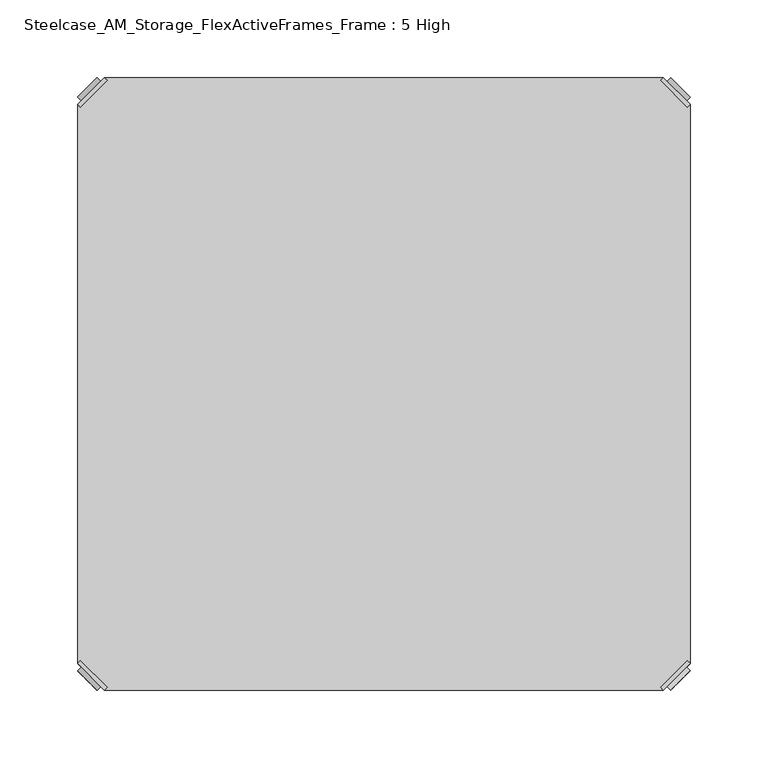
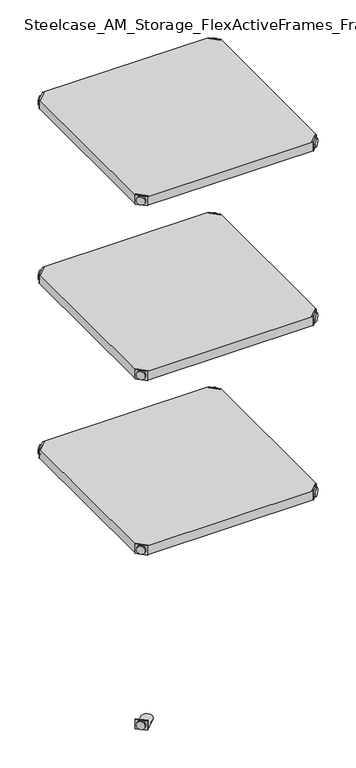
"""IFC4 building model written with IfcOpenShell, lengths in millimetres: furniture geometry, Steelcase_AM_Storage_FlexActiveFrames_Frame : 5 High."""

from ifc_helpers import new_model, si_unit, frame, origin, place, context, project, spatial, polyline, circle_curve, outline, extrude, source, transform, mapped, element, save
from ifc_brep_helpers import plane_surface, cylinder_surface, advanced_brep


def steelcase_am_storage_flexactiveframes_frame_5_high_588fb9f3(model_context):
    return source(origin(), model_context, "Body", "SolidModel", [
        advanced_brep(
        [(2.54, -380.2870969, 1725.93), (19.7629031, -397.51, 1725.93), (21.5589544, -395.7139488, 1725.93), (4.3360512, -378.4910456, 1725.93), (2.54, -380.2870969, 1704.594), (19.7629031, -397.51, 1704.594), (4.8652723, -382.6123691, 1715.77), (17.4376309, -395.1847277, 1715.77), (30.2920522, -352.5350447, 1705.61), (4.3360512, -378.4910456, 1705.61), (21.5589544, -395.7139488, 1705.61), (47.5149553, -369.7579478, 1705.61), (30.2920522, -352.5350447, 1704.594), (47.5149553, -369.7579478, 1704.594), (15.1227513, -397.4996073, 1715.77), (2.5503927, -384.9272487, 1715.77)],
        [
            (0, 1),
            (1, 2),
            (2, 3),
            (3, 0),
            (0, 4),
            (4, 5),
            (5, 1),
            (6, 7, circle_curve(frame((11.1514516, -388.8985484, 1715.77), z_axis=(0.7071067811865446, 0.7071067811865505, 0.0), x_axis=(-0.7071067811865505, 0.7071067811865446, 0.0)), 8.89)),
            (7, 6, circle_curve(frame((11.1514516, -388.8985484, 1715.77), z_axis=(0.7071067811865446, 0.7071067811865505, 0.0), x_axis=(-0.7071067811865505, 0.7071067811865446, 0.0)), 8.89)),
            (8, 9),
            (9, 10),
            (10, 11),
            (11, 8, circle_curve(frame((38.9035037, -361.1464963, 1705.61), z_axis=(0.0, 0.0, 1.0), x_axis=(1.0, 0.0, 0.0)), 12.1784316)),
            (12, 13, circle_curve(frame((38.9035037, -361.1464963, 1704.594), z_axis=(0.0, 0.0, -1.0), x_axis=(1.0, 0.0, 0.0)), 12.1784316)),
            (13, 5),
            (4, 12),
            (14, 15, circle_curve(frame((8.836572, -391.213428, 1715.77), z_axis=(-0.7071067811865446, -0.7071067811865505, 0.0), x_axis=(-0.7071067811865505, 0.7071067811865446, 0.0)), 8.89)),
            (15, 14, circle_curve(frame((8.836572, -391.213428, 1715.77), z_axis=(-0.7071067811865446, -0.7071067811865505, 0.0), x_axis=(-0.7071067811865505, 0.7071067811865446, 0.0)), 8.89)),
            (15, 6),
            (7, 14),
            (2, 10),
            (9, 3),
            (11, 13),
            (12, 8),
        ],
        [
            plane_surface(frame((-19.6579872, -402.485084, 1725.93), z_axis=(0.0, 0.0, 1.0000000000000002), x_axis=(0.7071067811865436, 0.7071067811865516, 0.0))),
            plane_surface(frame((19.7629031, -397.51, 1725.93), z_axis=(-0.7071067811865447, -0.7071067811865503, 0.0), x_axis=(0.0, 0.0, -1.0))),
            plane_surface(frame((51.0819353, -361.1464963, 1705.61), z_axis=(0.0, 0.0, 1.0), x_axis=(0.0, -1.0, 0.0))),
            plane_surface(frame((51.0819353, -361.1464963, 1704.594), z_axis=(0.0, 0.0, -1.0), x_axis=(0.0, 1.0, 0.0))),
            plane_surface(frame((2.5503927, -384.9272487, 1715.77), z_axis=(-0.7071067811865446, -0.7071067811865505, 0.0), x_axis=(0.0, 0.0, 1.0))),
            cylinder_surface(frame((11.1514516, -388.8985484, 1715.77), z_axis=(-0.7071067811865446, -0.7071067811865505, 0.0), x_axis=(-0.7071067811865505, 0.7071067811865446, 0.0)), 8.89),
            plane_surface(frame((4.3360512, -378.4910456, 1725.93), z_axis=(0.7071067811865447, 0.7071067811865503, 0.0), x_axis=(0.0, 0.0, -1.0))),
            cylinder_surface(frame((38.9035037, -361.1464963, 1704.594), z_axis=(0.0, 0.0, 1.0), x_axis=(1.0, 0.0, 0.0)), 12.1784316),
            plane_surface(frame((2.54, -380.2870969, 1725.93), z_axis=(-0.7071067811865516, 0.7071067811865436, 0.0), x_axis=(0.0, 0.0, -1.0))),
            plane_surface(frame((21.5589544, -395.7139488, 1725.93), z_axis=(0.7071067811865513, -0.7071067811865437, 0.0), x_axis=(0.0, 0.0, -1.0))),
        ],
        [
            (0, [[1, 2, 3, 4]]),
            (1, [[5, 6, 7, -1], [8, 9]]),
            (2, [[10, 11, 12, 13]]),
            (3, [[14, 15, -6, 16]]),
            (4, [[17, 18]]),
            (5, [[19, -9, 20, -18]]),
            (5, [[-20, -8, -19, -17]]),
            (6, [[21, -11, 22, -3]]),
            (7, [[23, -14, 24, -13]]),
            (8, [[-22, -10, -24, -16, -5, -4]]),
            (9, [[-7, -15, -23, -12, -21, -2]]),
        ],
    ),
        advanced_brep(
        [(397.51, -380.2870969, 1725.93), (395.7139488, -378.4910456, 1725.93), (378.4910456, -395.7139488, 1725.93), (380.2870969, -397.51, 1725.93), (380.2870969, -397.51, 1704.594), (397.51, -380.2870969, 1704.594), (395.1847277, -382.6123691, 1715.77), (382.6123691, -395.1847277, 1715.77), (369.7579478, -352.5350447, 1705.61), (352.5350447, -369.7579478, 1705.61), (378.4910456, -395.7139488, 1705.61), (395.7139488, -378.4910456, 1705.61), (369.7579478, -352.5350447, 1704.594), (352.5350447, -369.7579478, 1704.594), (384.9272487, -397.4996073, 1715.77), (397.4996073, -384.9272487, 1715.77)],
        [
            (0, 1),
            (1, 2),
            (2, 3),
            (3, 0),
            (3, 4),
            (4, 5),
            (5, 0),
            (6, 7, circle_curve(frame((388.8985484, -388.8985484, 1715.77), z_axis=(-0.7071067811865446, 0.7071067811865505, 0.0), x_axis=(0.7071067811865505, 0.7071067811865446, 0.0)), 8.89)),
            (7, 6, circle_curve(frame((388.8985484, -388.8985484, 1715.77), z_axis=(-0.7071067811865446, 0.7071067811865505, 0.0), x_axis=(0.7071067811865505, 0.7071067811865446, 0.0)), 8.89)),
            (8, 9, circle_curve(frame((361.1464963, -361.1464963, 1705.61), z_axis=(0.0, 0.0, 1.0), x_axis=(-1.0, 0.0, 0.0)), 12.1784316)),
            (9, 10),
            (10, 11),
            (11, 8),
            (12, 5),
            (4, 13),
            (13, 12, circle_curve(frame((361.1464963, -361.1464963, 1704.594), z_axis=(0.0, 0.0, -1.0), x_axis=(-1.0, 0.0, 0.0)), 12.1784316)),
            (14, 15, circle_curve(frame((391.213428, -391.213428, 1715.77), z_axis=(0.7071067811865446, -0.7071067811865505, 0.0), x_axis=(0.7071067811865505, 0.7071067811865446, 0.0)), 8.89)),
            (15, 14, circle_curve(frame((391.213428, -391.213428, 1715.77), z_axis=(0.7071067811865446, -0.7071067811865505, 0.0), x_axis=(0.7071067811865505, 0.7071067811865446, 0.0)), 8.89)),
            (14, 7),
            (6, 15),
            (1, 11),
            (10, 2),
            (8, 12),
            (13, 9),
        ],
        [
            plane_surface(frame((419.7079872, -402.485084, 1725.93), z_axis=(0.0, 0.0, 1.0000000000000002), x_axis=(-0.7071067811865436, 0.7071067811865516, 0.0))),
            plane_surface(frame((380.2870969, -397.51, 1725.93), z_axis=(0.7071067811865447, -0.7071067811865503, 0.0), x_axis=(0.0, 0.0, -1.0))),
            plane_surface(frame((348.9680647, -361.1464963, 1705.61), z_axis=(0.0, 0.0, 1.0), x_axis=(0.0, -1.0, 0.0))),
            plane_surface(frame((348.9680647, -361.1464963, 1704.594), z_axis=(0.0, 0.0, -1.0), x_axis=(0.0, 1.0, 0.0))),
            plane_surface(frame((397.4996073, -384.9272487, 1715.77), z_axis=(0.7071067811865446, -0.7071067811865505, 0.0), x_axis=(0.0, 0.0, 1.0))),
            cylinder_surface(frame((388.8985484, -388.8985484, 1715.77), z_axis=(0.7071067811865446, -0.7071067811865505, 0.0), x_axis=(0.7071067811865505, 0.7071067811865446, 0.0)), 8.89),
            plane_surface(frame((395.7139488, -378.4910456, 1725.93), z_axis=(-0.7071067811865447, 0.7071067811865503, 0.0), x_axis=(0.0, 0.0, -1.0))),
            cylinder_surface(frame((361.1464963, -361.1464963, 1704.594), z_axis=(0.0, 0.0, 1.0), x_axis=(-1.0, 0.0, 0.0)), 12.1784316),
            plane_surface(frame((397.51, -380.2870969, 1725.93), z_axis=(0.7071067811865516, 0.7071067811865436, 0.0), x_axis=(0.0, 0.0, -1.0))),
            plane_surface(frame((378.4910456, -395.7139488, 1725.93), z_axis=(-0.7071067811865513, -0.7071067811865437, 0.0), x_axis=(0.0, 0.0, -1.0))),
        ],
        [
            (0, [[1, 2, 3, 4]]),
            (1, [[-4, 5, 6, 7], [8, 9]]),
            (2, [[10, 11, 12, 13]]),
            (3, [[14, -6, 15, 16]]),
            (4, [[17, 18]]),
            (5, [[-17, 19, -8, 20]]),
            (5, [[-18, -20, -9, -19]]),
            (6, [[-2, 21, -12, 22]]),
            (7, [[-10, 23, -16, 24]]),
            (8, [[-1, -7, -14, -23, -13, -21]]),
            (9, [[-3, -22, -11, -24, -15, -5]]),
        ],
    ),
        advanced_brep(
        [(397.51, -19.7629031, 1725.93), (380.2870969, -2.54, 1725.93), (378.4910456, -4.3360512, 1725.93), (395.7139488, -21.5589544, 1725.93), (397.51, -19.7629031, 1704.594), (380.2870969, -2.54, 1704.594), (395.1847277, -17.4376309, 1715.77), (382.6123691, -4.8652723, 1715.77), (369.7579478, -47.5149553, 1705.61), (395.7139488, -21.5589544, 1705.61), (378.4910456, -4.3360512, 1705.61), (352.5350447, -30.2920522, 1705.61), (369.7579478, -47.5149553, 1704.594), (352.5350447, -30.2920522, 1704.594), (384.9272487, -2.5503927, 1715.77), (397.4996073, -15.1227513, 1715.77)],
        [
            (0, 1),
            (1, 2),
            (2, 3),
            (3, 0),
            (0, 4),
            (4, 5),
            (5, 1),
            (6, 7, circle_curve(frame((388.8985484, -11.1514516, 1715.77), z_axis=(-0.7071067811865469, -0.7071067811865481, 0.0), x_axis=(0.7071067811865481, -0.7071067811865469, 0.0)), 8.89)),
            (7, 6, circle_curve(frame((388.8985484, -11.1514516, 1715.77), z_axis=(-0.7071067811865469, -0.7071067811865481, 0.0), x_axis=(0.7071067811865481, -0.7071067811865469, 0.0)), 8.89)),
            (8, 9),
            (9, 10),
            (10, 11),
            (11, 8, circle_curve(frame((361.1464963, -38.9035037, 1705.61), z_axis=(0.0, 0.0, 1.0), x_axis=(-1.0, 0.0, 0.0)), 12.1784316)),
            (12, 13, circle_curve(frame((361.1464963, -38.9035037, 1704.594), z_axis=(0.0, 0.0, -1.0), x_axis=(-1.0, 0.0, 0.0)), 12.1784316)),
            (13, 5),
            (4, 12),
            (14, 15, circle_curve(frame((391.213428, -8.836572, 1715.77), z_axis=(0.7071067811865469, 0.7071067811865481, 0.0), x_axis=(0.7071067811865481, -0.7071067811865469, 0.0)), 8.89)),
            (15, 14, circle_curve(frame((391.213428, -8.836572, 1715.77), z_axis=(0.7071067811865469, 0.7071067811865481, 0.0), x_axis=(0.7071067811865481, -0.7071067811865469, 0.0)), 8.89)),
            (15, 6),
            (7, 14),
            (2, 10),
            (9, 3),
            (11, 13),
            (12, 8),
        ],
        [
            plane_surface(frame((419.7079872, 2.435084, 1725.93), z_axis=(0.0, 0.0, 1.0000000000000002), x_axis=(-0.7071067811865459, -0.7071067811865492, 0.0))),
            plane_surface(frame((380.2870969, -2.54, 1725.93), z_axis=(0.707106781186547, 0.707106781186548, 0.0), x_axis=(0.0, 0.0, -1.0))),
            plane_surface(frame((348.9680647, -38.9035037, 1705.61), z_axis=(0.0, 0.0, 1.0), x_axis=(0.0, 1.0, 0.0))),
            plane_surface(frame((348.9680647, -38.9035037, 1704.594), z_axis=(0.0, 0.0, -1.0), x_axis=(0.0, -1.0, 0.0))),
            plane_surface(frame((397.4996073, -15.1227513, 1715.77), z_axis=(0.7071067811865469, 0.7071067811865481, 0.0), x_axis=(0.0, 0.0, 1.0))),
            cylinder_surface(frame((388.8985484, -11.1514516, 1715.77), z_axis=(0.7071067811865469, 0.7071067811865481, 0.0), x_axis=(0.7071067811865481, -0.7071067811865469, 0.0)), 8.89),
            plane_surface(frame((395.7139488, -21.5589544, 1725.93), z_axis=(-0.707106781186547, -0.707106781186548, 0.0), x_axis=(0.0, 0.0, -1.0))),
            cylinder_surface(frame((361.1464963, -38.9035037, 1704.594), z_axis=(0.0, 0.0, 1.0), x_axis=(-1.0, 0.0, 0.0)), 12.1784316),
            plane_surface(frame((397.51, -19.7629031, 1725.93), z_axis=(0.7071067811865492, -0.7071067811865459, 0.0), x_axis=(0.0, 0.0, -1.0))),
            plane_surface(frame((378.4910456, -4.3360512, 1725.93), z_axis=(-0.707106781186549, 0.707106781186546, 0.0), x_axis=(0.0, 0.0, -1.0))),
        ],
        [
            (0, [[1, 2, 3, 4]]),
            (1, [[5, 6, 7, -1], [8, 9]]),
            (2, [[10, 11, 12, 13]]),
            (3, [[14, 15, -6, 16]]),
            (4, [[17, 18]]),
            (5, [[19, -9, 20, -18]]),
            (5, [[-20, -8, -19, -17]]),
            (6, [[21, -11, 22, -3]]),
            (7, [[23, -14, 24, -13]]),
            (8, [[-22, -10, -24, -16, -5, -4]]),
            (9, [[-7, -15, -23, -12, -21, -2]]),
        ],
    ),
        advanced_brep(
        [(2.54, -19.7629031, 1725.93), (4.3360512, -21.5589544, 1725.93), (21.5589544, -4.3360512, 1725.93), (19.7629031, -2.54, 1725.93), (19.7629031, -2.54, 1704.594), (2.54, -19.7629031, 1704.594), (4.8652723, -17.4376309, 1715.77), (17.4376309, -4.8652723, 1715.77), (30.2920522, -47.5149553, 1705.61), (47.5149553, -30.2920522, 1705.61), (21.5589544, -4.3360512, 1705.61), (4.3360512, -21.5589544, 1705.61), (30.2920522, -47.5149553, 1704.594), (47.5149553, -30.2920522, 1704.594), (15.1227513, -2.5503927, 1715.77), (2.5503927, -15.1227513, 1715.77)],
        [
            (0, 1),
            (1, 2),
            (2, 3),
            (3, 0),
            (3, 4),
            (4, 5),
            (5, 0),
            (6, 7, circle_curve(frame((11.1514516, -11.1514516, 1715.77), z_axis=(0.7071067811865469, -0.7071067811865481, 0.0), x_axis=(-0.7071067811865481, -0.7071067811865469, 0.0)), 8.89)),
            (7, 6, circle_curve(frame((11.1514516, -11.1514516, 1715.77), z_axis=(0.7071067811865469, -0.7071067811865481, 0.0), x_axis=(-0.7071067811865481, -0.7071067811865469, 0.0)), 8.89)),
            (8, 9, circle_curve(frame((38.9035037, -38.9035037, 1705.61), z_axis=(0.0, 0.0, 1.0), x_axis=(1.0, 0.0, 0.0)), 12.1784316)),
            (9, 10),
            (10, 11),
            (11, 8),
            (12, 5),
            (4, 13),
            (13, 12, circle_curve(frame((38.9035037, -38.9035037, 1704.594), z_axis=(0.0, 0.0, -1.0), x_axis=(1.0, 0.0, 0.0)), 12.1784316)),
            (14, 15, circle_curve(frame((8.836572, -8.836572, 1715.77), z_axis=(-0.7071067811865469, 0.7071067811865481, 0.0), x_axis=(-0.7071067811865481, -0.7071067811865469, 0.0)), 8.89)),
            (15, 14, circle_curve(frame((8.836572, -8.836572, 1715.77), z_axis=(-0.7071067811865469, 0.7071067811865481, 0.0), x_axis=(-0.7071067811865481, -0.7071067811865469, 0.0)), 8.89)),
            (14, 7),
            (6, 15),
            (1, 11),
            (10, 2),
            (8, 12),
            (13, 9),
        ],
        [
            plane_surface(frame((-19.6579872, 2.435084, 1725.93), z_axis=(0.0, 0.0, 1.0000000000000002), x_axis=(0.7071067811865459, -0.7071067811865492, 0.0))),
            plane_surface(frame((19.7629031, -2.54, 1725.93), z_axis=(-0.707106781186547, 0.707106781186548, 0.0), x_axis=(0.0, 0.0, -1.0))),
            plane_surface(frame((51.0819353, -38.9035037, 1705.61), z_axis=(0.0, 0.0, 1.0), x_axis=(0.0, 1.0, 0.0))),
            plane_surface(frame((51.0819353, -38.9035037, 1704.594), z_axis=(0.0, 0.0, -1.0), x_axis=(0.0, -1.0, 0.0))),
            plane_surface(frame((2.5503927, -15.1227513, 1715.77), z_axis=(-0.7071067811865469, 0.7071067811865481, 0.0), x_axis=(0.0, 0.0, 1.0))),
            cylinder_surface(frame((11.1514516, -11.1514516, 1715.77), z_axis=(-0.7071067811865469, 0.7071067811865481, 0.0), x_axis=(-0.7071067811865481, -0.7071067811865469, 0.0)), 8.89),
            plane_surface(frame((4.3360512, -21.5589544, 1725.93), z_axis=(0.707106781186547, -0.707106781186548, 0.0), x_axis=(0.0, 0.0, -1.0))),
            cylinder_surface(frame((38.9035037, -38.9035037, 1704.594), z_axis=(0.0, 0.0, 1.0), x_axis=(1.0, 0.0, 0.0)), 12.1784316),
            plane_surface(frame((2.54, -19.7629031, 1725.93), z_axis=(-0.7071067811865492, -0.7071067811865459, 0.0), x_axis=(0.0, 0.0, -1.0))),
            plane_surface(frame((21.5589544, -4.3360512, 1725.93), z_axis=(0.707106781186549, 0.707106781186546, 0.0), x_axis=(0.0, 0.0, -1.0))),
        ],
        [
            (0, [[1, 2, 3, 4]]),
            (1, [[-4, 5, 6, 7], [8, 9]]),
            (2, [[10, 11, 12, 13]]),
            (3, [[14, -6, 15, 16]]),
            (4, [[17, 18]]),
            (5, [[-17, 19, -8, 20]]),
            (5, [[-18, -20, -9, -19]]),
            (6, [[-2, 21, -12, 22]]),
            (7, [[-10, 23, -16, 24]]),
            (8, [[-1, -7, -14, -23, -13, -21]]),
            (9, [[-3, -22, -11, -24, -15, -5]]),
        ],
    ),
        extrude(outline(polyline([(19.7629031, -2.54), (380.2870969, -2.54), (378.4910456, -4.3360512), (395.7139488, -21.5589544), (397.51, -19.7629031), (397.51, -380.2870969), (395.7139488, -378.4910456), (378.4910456, -395.7139488), (380.2870969, -397.51), (19.7629031, -397.51), (21.5589544, -395.7139488), (4.3360512, -378.4910456), (2.54, -380.2870969), (2.54, -19.7629031), (4.3360512, -21.5589544), (21.5589544, -4.3360512), (19.7629031, -2.54)])), frame((0.0, 0.0, 1705.61), z_axis=(0.0, 0.0, 1.0), x_axis=(1.0, 0.0, 0.0)), (0.0, 0.0, 1.0), 20.32),
        advanced_brep(
        [(2.54, -380.2870969, 1324.61), (19.7629031, -397.51, 1324.61), (21.5589544, -395.7139488, 1324.61), (4.3360512, -378.4910456, 1324.61), (2.54, -380.2870969, 1303.274), (19.7629031, -397.51, 1303.274), (4.8652723, -382.6123691, 1314.45), (17.4376309, -395.1847277, 1314.45), (30.2920522, -352.5350447, 1304.29), (4.3360512, -378.4910456, 1304.29), (21.5589544, -395.7139488, 1304.29), (47.5149553, -369.7579478, 1304.29), (30.2920522, -352.5350447, 1303.274), (47.5149553, -369.7579478, 1303.274), (15.1227513, -397.4996073, 1314.45), (2.5503927, -384.9272487, 1314.45)],
        [
            (0, 1),
            (1, 2),
            (2, 3),
            (3, 0),
            (0, 4),
            (4, 5),
            (5, 1),
            (6, 7, circle_curve(frame((11.1514516, -388.8985484, 1314.45), z_axis=(0.7071067811865446, 0.7071067811865505, 0.0), x_axis=(-0.7071067811865505, 0.7071067811865446, 0.0)), 8.89)),
            (7, 6, circle_curve(frame((11.1514516, -388.8985484, 1314.45), z_axis=(0.7071067811865446, 0.7071067811865505, 0.0), x_axis=(-0.7071067811865505, 0.7071067811865446, 0.0)), 8.89)),
            (8, 9),
            (9, 10),
            (10, 11),
            (11, 8, circle_curve(frame((38.9035037, -361.1464963, 1304.29), z_axis=(0.0, 0.0, 1.0), x_axis=(1.0, 0.0, 0.0)), 12.1784316)),
            (12, 13, circle_curve(frame((38.9035037, -361.1464963, 1303.274), z_axis=(0.0, 0.0, -1.0), x_axis=(1.0, 0.0, 0.0)), 12.1784316)),
            (13, 5),
            (4, 12),
            (14, 15, circle_curve(frame((8.836572, -391.213428, 1314.45), z_axis=(-0.7071067811865446, -0.7071067811865505, 0.0), x_axis=(-0.7071067811865505, 0.7071067811865446, 0.0)), 8.89)),
            (15, 14, circle_curve(frame((8.836572, -391.213428, 1314.45), z_axis=(-0.7071067811865446, -0.7071067811865505, 0.0), x_axis=(-0.7071067811865505, 0.7071067811865446, 0.0)), 8.89)),
            (15, 6),
            (7, 14),
            (2, 10),
            (9, 3),
            (11, 13),
            (12, 8),
        ],
        [
            plane_surface(frame((-19.6579872, -402.485084, 1324.61), z_axis=(0.0, 0.0, 1.0000000000000002), x_axis=(0.7071067811865436, 0.7071067811865516, 0.0))),
            plane_surface(frame((19.7629031, -397.51, 1324.61), z_axis=(-0.7071067811865447, -0.7071067811865503, 0.0), x_axis=(0.0, 0.0, -1.0))),
            plane_surface(frame((51.0819353, -361.1464963, 1304.29), z_axis=(0.0, 0.0, 1.0), x_axis=(0.0, -1.0, 0.0))),
            plane_surface(frame((51.0819353, -361.1464963, 1303.274), z_axis=(0.0, 0.0, -1.0), x_axis=(0.0, 1.0, 0.0))),
            plane_surface(frame((2.5503927, -384.9272487, 1314.45), z_axis=(-0.7071067811865446, -0.7071067811865505, 0.0), x_axis=(0.0, 0.0, 1.0))),
            cylinder_surface(frame((11.1514516, -388.8985484, 1314.45), z_axis=(-0.7071067811865446, -0.7071067811865505, 0.0), x_axis=(-0.7071067811865505, 0.7071067811865446, 0.0)), 8.89),
            plane_surface(frame((4.3360512, -378.4910456, 1324.61), z_axis=(0.7071067811865447, 0.7071067811865503, 0.0), x_axis=(0.0, 0.0, -1.0))),
            cylinder_surface(frame((38.9035037, -361.1464963, 1303.274), z_axis=(0.0, 0.0, 1.0), x_axis=(1.0, 0.0, 0.0)), 12.1784316),
            plane_surface(frame((2.54, -380.2870969, 1324.61), z_axis=(-0.7071067811865516, 0.7071067811865436, 0.0), x_axis=(0.0, 0.0, -1.0))),
            plane_surface(frame((21.5589544, -395.7139488, 1324.61), z_axis=(0.7071067811865513, -0.7071067811865437, 0.0), x_axis=(0.0, 0.0, -1.0))),
        ],
        [
            (0, [[1, 2, 3, 4]]),
            (1, [[5, 6, 7, -1], [8, 9]]),
            (2, [[10, 11, 12, 13]]),
            (3, [[14, 15, -6, 16]]),
            (4, [[17, 18]]),
            (5, [[19, -9, 20, -18]]),
            (5, [[-20, -8, -19, -17]]),
            (6, [[21, -11, 22, -3]]),
            (7, [[23, -14, 24, -13]]),
            (8, [[-22, -10, -24, -16, -5, -4]]),
            (9, [[-7, -15, -23, -12, -21, -2]]),
        ],
    ),
        advanced_brep(
        [(397.51, -380.2870969, 1324.61), (395.7139488, -378.4910456, 1324.61), (378.4910456, -395.7139488, 1324.61), (380.2870969, -397.51, 1324.61), (380.2870969, -397.51, 1303.274), (397.51, -380.2870969, 1303.274), (395.1847277, -382.6123691, 1314.45), (382.6123691, -395.1847277, 1314.45), (369.7579478, -352.5350447, 1304.29), (352.5350447, -369.7579478, 1304.29), (378.4910456, -395.7139488, 1304.29), (395.7139488, -378.4910456, 1304.29), (369.7579478, -352.5350447, 1303.274), (352.5350447, -369.7579478, 1303.274), (384.9272487, -397.4996073, 1314.45), (397.4996073, -384.9272487, 1314.45)],
        [
            (0, 1),
            (1, 2),
            (2, 3),
            (3, 0),
            (3, 4),
            (4, 5),
            (5, 0),
            (6, 7, circle_curve(frame((388.8985484, -388.8985484, 1314.45), z_axis=(-0.7071067811865446, 0.7071067811865505, 0.0), x_axis=(0.7071067811865505, 0.7071067811865446, 0.0)), 8.89)),
            (7, 6, circle_curve(frame((388.8985484, -388.8985484, 1314.45), z_axis=(-0.7071067811865446, 0.7071067811865505, 0.0), x_axis=(0.7071067811865505, 0.7071067811865446, 0.0)), 8.89)),
            (8, 9, circle_curve(frame((361.1464963, -361.1464963, 1304.29), z_axis=(0.0, 0.0, 1.0), x_axis=(-1.0, 0.0, 0.0)), 12.1784316)),
            (9, 10),
            (10, 11),
            (11, 8),
            (12, 5),
            (4, 13),
            (13, 12, circle_curve(frame((361.1464963, -361.1464963, 1303.274), z_axis=(0.0, 0.0, -1.0), x_axis=(-1.0, 0.0, 0.0)), 12.1784316)),
            (14, 15, circle_curve(frame((391.213428, -391.213428, 1314.45), z_axis=(0.7071067811865446, -0.7071067811865505, 0.0), x_axis=(0.7071067811865505, 0.7071067811865446, 0.0)), 8.89)),
            (15, 14, circle_curve(frame((391.213428, -391.213428, 1314.45), z_axis=(0.7071067811865446, -0.7071067811865505, 0.0), x_axis=(0.7071067811865505, 0.7071067811865446, 0.0)), 8.89)),
            (14, 7),
            (6, 15),
            (1, 11),
            (10, 2),
            (8, 12),
            (13, 9),
        ],
        [
            plane_surface(frame((419.7079872, -402.485084, 1324.61), z_axis=(0.0, 0.0, 1.0000000000000002), x_axis=(-0.7071067811865436, 0.7071067811865516, 0.0))),
            plane_surface(frame((380.2870969, -397.51, 1324.61), z_axis=(0.7071067811865447, -0.7071067811865503, 0.0), x_axis=(0.0, 0.0, -1.0))),
            plane_surface(frame((348.9680647, -361.1464963, 1304.29), z_axis=(0.0, 0.0, 1.0), x_axis=(0.0, -1.0, 0.0))),
            plane_surface(frame((348.9680647, -361.1464963, 1303.274), z_axis=(0.0, 0.0, -1.0), x_axis=(0.0, 1.0, 0.0))),
            plane_surface(frame((397.4996073, -384.9272487, 1314.45), z_axis=(0.7071067811865446, -0.7071067811865505, 0.0), x_axis=(0.0, 0.0, 1.0))),
            cylinder_surface(frame((388.8985484, -388.8985484, 1314.45), z_axis=(0.7071067811865446, -0.7071067811865505, 0.0), x_axis=(0.7071067811865505, 0.7071067811865446, 0.0)), 8.89),
            plane_surface(frame((395.7139488, -378.4910456, 1324.61), z_axis=(-0.7071067811865447, 0.7071067811865503, 0.0), x_axis=(0.0, 0.0, -1.0))),
            cylinder_surface(frame((361.1464963, -361.1464963, 1303.274), z_axis=(0.0, 0.0, 1.0), x_axis=(-1.0, 0.0, 0.0)), 12.1784316),
            plane_surface(frame((397.51, -380.2870969, 1324.61), z_axis=(0.7071067811865516, 0.7071067811865436, 0.0), x_axis=(0.0, 0.0, -1.0))),
            plane_surface(frame((378.4910456, -395.7139488, 1324.61), z_axis=(-0.7071067811865513, -0.7071067811865437, 0.0), x_axis=(0.0, 0.0, -1.0))),
        ],
        [
            (0, [[1, 2, 3, 4]]),
            (1, [[-4, 5, 6, 7], [8, 9]]),
            (2, [[10, 11, 12, 13]]),
            (3, [[14, -6, 15, 16]]),
            (4, [[17, 18]]),
            (5, [[-17, 19, -8, 20]]),
            (5, [[-18, -20, -9, -19]]),
            (6, [[-2, 21, -12, 22]]),
            (7, [[-10, 23, -16, 24]]),
            (8, [[-1, -7, -14, -23, -13, -21]]),
            (9, [[-3, -22, -11, -24, -15, -5]]),
        ],
    ),
        advanced_brep(
        [(397.51, -19.7629031, 1324.61), (380.2870969, -2.54, 1324.61), (378.4910456, -4.3360512, 1324.61), (395.7139488, -21.5589544, 1324.61), (397.51, -19.7629031, 1303.274), (380.2870969, -2.54, 1303.274), (395.1847277, -17.4376309, 1314.45), (382.6123691, -4.8652723, 1314.45), (369.7579478, -47.5149553, 1304.29), (395.7139488, -21.5589544, 1304.29), (378.4910456, -4.3360512, 1304.29), (352.5350447, -30.2920522, 1304.29), (369.7579478, -47.5149553, 1303.274), (352.5350447, -30.2920522, 1303.274), (384.9272487, -2.5503927, 1314.45), (397.4996073, -15.1227513, 1314.45)],
        [
            (0, 1),
            (1, 2),
            (2, 3),
            (3, 0),
            (0, 4),
            (4, 5),
            (5, 1),
            (6, 7, circle_curve(frame((388.8985484, -11.1514516, 1314.45), z_axis=(-0.7071067811865469, -0.7071067811865481, 0.0), x_axis=(0.7071067811865481, -0.7071067811865469, 0.0)), 8.89)),
            (7, 6, circle_curve(frame((388.8985484, -11.1514516, 1314.45), z_axis=(-0.7071067811865469, -0.7071067811865481, 0.0), x_axis=(0.7071067811865481, -0.7071067811865469, 0.0)), 8.89)),
            (8, 9),
            (9, 10),
            (10, 11),
            (11, 8, circle_curve(frame((361.1464963, -38.9035037, 1304.29), z_axis=(0.0, 0.0, 1.0), x_axis=(-1.0, 0.0, 0.0)), 12.1784316)),
            (12, 13, circle_curve(frame((361.1464963, -38.9035037, 1303.274), z_axis=(0.0, 0.0, -1.0), x_axis=(-1.0, 0.0, 0.0)), 12.1784316)),
            (13, 5),
            (4, 12),
            (14, 15, circle_curve(frame((391.213428, -8.836572, 1314.45), z_axis=(0.7071067811865469, 0.7071067811865481, 0.0), x_axis=(0.7071067811865481, -0.7071067811865469, 0.0)), 8.89)),
            (15, 14, circle_curve(frame((391.213428, -8.836572, 1314.45), z_axis=(0.7071067811865469, 0.7071067811865481, 0.0), x_axis=(0.7071067811865481, -0.7071067811865469, 0.0)), 8.89)),
            (15, 6),
            (7, 14),
            (2, 10),
            (9, 3),
            (11, 13),
            (12, 8),
        ],
        [
            plane_surface(frame((419.7079872, 2.435084, 1324.61), z_axis=(0.0, 0.0, 1.0000000000000002), x_axis=(-0.7071067811865459, -0.7071067811865492, 0.0))),
            plane_surface(frame((380.2870969, -2.54, 1324.61), z_axis=(0.707106781186547, 0.707106781186548, 0.0), x_axis=(0.0, 0.0, -1.0))),
            plane_surface(frame((348.9680647, -38.9035037, 1304.29), z_axis=(0.0, 0.0, 1.0), x_axis=(0.0, 1.0, 0.0))),
            plane_surface(frame((348.9680647, -38.9035037, 1303.274), z_axis=(0.0, 0.0, -1.0), x_axis=(0.0, -1.0, 0.0))),
            plane_surface(frame((397.4996073, -15.1227513, 1314.45), z_axis=(0.7071067811865469, 0.7071067811865481, 0.0), x_axis=(0.0, 0.0, 1.0))),
            cylinder_surface(frame((388.8985484, -11.1514516, 1314.45), z_axis=(0.7071067811865469, 0.7071067811865481, 0.0), x_axis=(0.7071067811865481, -0.7071067811865469, 0.0)), 8.89),
            plane_surface(frame((395.7139488, -21.5589544, 1324.61), z_axis=(-0.707106781186547, -0.707106781186548, 0.0), x_axis=(0.0, 0.0, -1.0))),
            cylinder_surface(frame((361.1464963, -38.9035037, 1303.274), z_axis=(0.0, 0.0, 1.0), x_axis=(-1.0, 0.0, 0.0)), 12.1784316),
            plane_surface(frame((397.51, -19.7629031, 1324.61), z_axis=(0.7071067811865492, -0.7071067811865459, 0.0), x_axis=(0.0, 0.0, -1.0))),
            plane_surface(frame((378.4910456, -4.3360512, 1324.61), z_axis=(-0.707106781186549, 0.707106781186546, 0.0), x_axis=(0.0, 0.0, -1.0))),
        ],
        [
            (0, [[1, 2, 3, 4]]),
            (1, [[5, 6, 7, -1], [8, 9]]),
            (2, [[10, 11, 12, 13]]),
            (3, [[14, 15, -6, 16]]),
            (4, [[17, 18]]),
            (5, [[19, -9, 20, -18]]),
            (5, [[-20, -8, -19, -17]]),
            (6, [[21, -11, 22, -3]]),
            (7, [[23, -14, 24, -13]]),
            (8, [[-22, -10, -24, -16, -5, -4]]),
            (9, [[-7, -15, -23, -12, -21, -2]]),
        ],
    ),
        advanced_brep(
        [(2.54, -19.7629031, 1324.61), (4.3360512, -21.5589544, 1324.61), (21.5589544, -4.3360512, 1324.61), (19.7629031, -2.54, 1324.61), (19.7629031, -2.54, 1303.274), (2.54, -19.7629031, 1303.274), (4.8652723, -17.4376309, 1314.45), (17.4376309, -4.8652723, 1314.45), (30.2920522, -47.5149553, 1304.29), (47.5149553, -30.2920522, 1304.29), (21.5589544, -4.3360512, 1304.29), (4.3360512, -21.5589544, 1304.29), (30.2920522, -47.5149553, 1303.274), (47.5149553, -30.2920522, 1303.274), (15.1227513, -2.5503927, 1314.45), (2.5503927, -15.1227513, 1314.45)],
        [
            (0, 1),
            (1, 2),
            (2, 3),
            (3, 0),
            (3, 4),
            (4, 5),
            (5, 0),
            (6, 7, circle_curve(frame((11.1514516, -11.1514516, 1314.45), z_axis=(0.7071067811865469, -0.7071067811865481, 0.0), x_axis=(-0.7071067811865481, -0.7071067811865469, 0.0)), 8.89)),
            (7, 6, circle_curve(frame((11.1514516, -11.1514516, 1314.45), z_axis=(0.7071067811865469, -0.7071067811865481, 0.0), x_axis=(-0.7071067811865481, -0.7071067811865469, 0.0)), 8.89)),
            (8, 9, circle_curve(frame((38.9035037, -38.9035037, 1304.29), z_axis=(0.0, 0.0, 1.0), x_axis=(1.0, 0.0, 0.0)), 12.1784316)),
            (9, 10),
            (10, 11),
            (11, 8),
            (12, 5),
            (4, 13),
            (13, 12, circle_curve(frame((38.9035037, -38.9035037, 1303.274), z_axis=(0.0, 0.0, -1.0), x_axis=(1.0, 0.0, 0.0)), 12.1784316)),
            (14, 15, circle_curve(frame((8.836572, -8.836572, 1314.45), z_axis=(-0.7071067811865469, 0.7071067811865481, 0.0), x_axis=(-0.7071067811865481, -0.7071067811865469, 0.0)), 8.89)),
            (15, 14, circle_curve(frame((8.836572, -8.836572, 1314.45), z_axis=(-0.7071067811865469, 0.7071067811865481, 0.0), x_axis=(-0.7071067811865481, -0.7071067811865469, 0.0)), 8.89)),
            (14, 7),
            (6, 15),
            (1, 11),
            (10, 2),
            (8, 12),
            (13, 9),
        ],
        [
            plane_surface(frame((-19.6579872, 2.435084, 1324.61), z_axis=(0.0, 0.0, 1.0000000000000002), x_axis=(0.7071067811865459, -0.7071067811865492, 0.0))),
            plane_surface(frame((19.7629031, -2.54, 1324.61), z_axis=(-0.707106781186547, 0.707106781186548, 0.0), x_axis=(0.0, 0.0, -1.0))),
            plane_surface(frame((51.0819353, -38.9035037, 1304.29), z_axis=(0.0, 0.0, 1.0), x_axis=(0.0, 1.0, 0.0))),
            plane_surface(frame((51.0819353, -38.9035037, 1303.274), z_axis=(0.0, 0.0, -1.0), x_axis=(0.0, -1.0, 0.0))),
            plane_surface(frame((2.5503927, -15.1227513, 1314.45), z_axis=(-0.7071067811865469, 0.7071067811865481, 0.0), x_axis=(0.0, 0.0, 1.0))),
            cylinder_surface(frame((11.1514516, -11.1514516, 1314.45), z_axis=(-0.7071067811865469, 0.7071067811865481, 0.0), x_axis=(-0.7071067811865481, -0.7071067811865469, 0.0)), 8.89),
            plane_surface(frame((4.3360512, -21.5589544, 1324.61), z_axis=(0.707106781186547, -0.707106781186548, 0.0), x_axis=(0.0, 0.0, -1.0))),
            cylinder_surface(frame((38.9035037, -38.9035037, 1303.274), z_axis=(0.0, 0.0, 1.0), x_axis=(1.0, 0.0, 0.0)), 12.1784316),
            plane_surface(frame((2.54, -19.7629031, 1324.61), z_axis=(-0.7071067811865492, -0.7071067811865459, 0.0), x_axis=(0.0, 0.0, -1.0))),
            plane_surface(frame((21.5589544, -4.3360512, 1324.61), z_axis=(0.707106781186549, 0.707106781186546, 0.0), x_axis=(0.0, 0.0, -1.0))),
        ],
        [
            (0, [[1, 2, 3, 4]]),
            (1, [[-4, 5, 6, 7], [8, 9]]),
            (2, [[10, 11, 12, 13]]),
            (3, [[14, -6, 15, 16]]),
            (4, [[17, 18]]),
            (5, [[-17, 19, -8, 20]]),
            (5, [[-18, -20, -9, -19]]),
            (6, [[-2, 21, -12, 22]]),
            (7, [[-10, 23, -16, 24]]),
            (8, [[-1, -7, -14, -23, -13, -21]]),
            (9, [[-3, -22, -11, -24, -15, -5]]),
        ],
    ),
        extrude(outline(polyline([(19.7629031, -2.54), (380.2870969, -2.54), (378.4910456, -4.3360512), (395.7139488, -21.5589544), (397.51, -19.7629031), (397.51, -380.2870969), (395.7139488, -378.4910456), (378.4910456, -395.7139488), (380.2870969, -397.51), (19.7629031, -397.51), (21.5589544, -395.7139488), (4.3360512, -378.4910456), (2.54, -380.2870969), (2.54, -19.7629031), (4.3360512, -21.5589544), (21.5589544, -4.3360512), (19.7629031, -2.54)])), frame((0.0, 0.0, 1304.29), z_axis=(0.0, 0.0, 1.0), x_axis=(1.0, 0.0, 0.0)), (0.0, 0.0, 1.0), 20.32),
        advanced_brep(
        [(2.54, -380.2870969, 923.29), (19.7629031, -397.51, 923.29), (21.5589544, -395.7139488, 923.29), (4.3360512, -378.4910456, 923.29), (2.54, -380.2870969, 901.954), (19.7629031, -397.51, 901.954), (4.8652723, -382.6123691, 913.13), (17.4376309, -395.1847277, 913.13), (30.2920522, -352.5350447, 902.97), (4.3360512, -378.4910456, 902.97), (21.5589544, -395.7139488, 902.97), (47.5149553, -369.7579478, 902.97), (30.2920522, -352.5350447, 901.954), (47.5149553, -369.7579478, 901.954), (15.1227513, -397.4996073, 913.13), (2.5503927, -384.9272487, 913.13)],
        [
            (0, 1),
            (1, 2),
            (2, 3),
            (3, 0),
            (0, 4),
            (4, 5),
            (5, 1),
            (6, 7, circle_curve(frame((11.1514516, -388.8985484, 913.13), z_axis=(0.7071067811865446, 0.7071067811865505, 0.0), x_axis=(-0.7071067811865505, 0.7071067811865446, 0.0)), 8.89)),
            (7, 6, circle_curve(frame((11.1514516, -388.8985484, 913.13), z_axis=(0.7071067811865446, 0.7071067811865505, 0.0), x_axis=(-0.7071067811865505, 0.7071067811865446, 0.0)), 8.89)),
            (8, 9),
            (9, 10),
            (10, 11),
            (11, 8, circle_curve(frame((38.9035037, -361.1464963, 902.97), z_axis=(0.0, 0.0, 1.0), x_axis=(1.0, 0.0, 0.0)), 12.1784316)),
            (12, 13, circle_curve(frame((38.9035037, -361.1464963, 901.954), z_axis=(0.0, 0.0, -1.0), x_axis=(1.0, 0.0, 0.0)), 12.1784316)),
            (13, 5),
            (4, 12),
            (14, 15, circle_curve(frame((8.836572, -391.213428, 913.13), z_axis=(-0.7071067811865446, -0.7071067811865505, 0.0), x_axis=(-0.7071067811865505, 0.7071067811865446, 0.0)), 8.89)),
            (15, 14, circle_curve(frame((8.836572, -391.213428, 913.13), z_axis=(-0.7071067811865446, -0.7071067811865505, 0.0), x_axis=(-0.7071067811865505, 0.7071067811865446, 0.0)), 8.89)),
            (15, 6),
            (7, 14),
            (2, 10),
            (9, 3),
            (11, 13),
            (12, 8),
        ],
        [
            plane_surface(frame((-19.6579872, -402.485084, 923.29), z_axis=(0.0, 0.0, 1.0000000000000002), x_axis=(0.7071067811865436, 0.7071067811865516, 0.0))),
            plane_surface(frame((19.7629031, -397.51, 923.29), z_axis=(-0.7071067811865447, -0.7071067811865503, 0.0), x_axis=(0.0, 0.0, -1.0))),
            plane_surface(frame((51.0819353, -361.1464963, 902.97), z_axis=(0.0, 0.0, 1.0), x_axis=(0.0, -1.0, 0.0))),
            plane_surface(frame((51.0819353, -361.1464963, 901.954), z_axis=(0.0, 0.0, -1.0), x_axis=(0.0, 1.0, 0.0))),
            plane_surface(frame((2.5503927, -384.9272487, 913.13), z_axis=(-0.7071067811865446, -0.7071067811865505, 0.0), x_axis=(0.0, 0.0, 1.0))),
            cylinder_surface(frame((11.1514516, -388.8985484, 913.13), z_axis=(-0.7071067811865446, -0.7071067811865505, 0.0), x_axis=(-0.7071067811865505, 0.7071067811865446, 0.0)), 8.89),
            plane_surface(frame((4.3360512, -378.4910456, 923.29), z_axis=(0.7071067811865447, 0.7071067811865503, 0.0), x_axis=(0.0, 0.0, -1.0))),
            cylinder_surface(frame((38.9035037, -361.1464963, 901.954), z_axis=(0.0, 0.0, 1.0), x_axis=(1.0, 0.0, 0.0)), 12.1784316),
            plane_surface(frame((2.54, -380.2870969, 923.29), z_axis=(-0.7071067811865516, 0.7071067811865436, 0.0), x_axis=(0.0, 0.0, -1.0))),
            plane_surface(frame((21.5589544, -395.7139488, 923.29), z_axis=(0.7071067811865513, -0.7071067811865437, 0.0), x_axis=(0.0, 0.0, -1.0))),
        ],
        [
            (0, [[1, 2, 3, 4]]),
            (1, [[5, 6, 7, -1], [8, 9]]),
            (2, [[10, 11, 12, 13]]),
            (3, [[14, 15, -6, 16]]),
            (4, [[17, 18]]),
            (5, [[19, -9, 20, -18]]),
            (5, [[-20, -8, -19, -17]]),
            (6, [[21, -11, 22, -3]]),
            (7, [[23, -14, 24, -13]]),
            (8, [[-22, -10, -24, -16, -5, -4]]),
            (9, [[-7, -15, -23, -12, -21, -2]]),
        ],
    ),
        advanced_brep(
        [(397.51, -380.2870969, 923.29), (395.7139488, -378.4910456, 923.29), (378.4910456, -395.7139488, 923.29), (380.2870969, -397.51, 923.29), (380.2870969, -397.51, 901.954), (397.51, -380.2870969, 901.954), (395.1847277, -382.6123691, 913.13), (382.6123691, -395.1847277, 913.13), (369.7579478, -352.5350447, 902.97), (352.5350447, -369.7579478, 902.97), (378.4910456, -395.7139488, 902.97), (395.7139488, -378.4910456, 902.97), (369.7579478, -352.5350447, 901.954), (352.5350447, -369.7579478, 901.954), (384.9272487, -397.4996073, 913.13), (397.4996073, -384.9272487, 913.13)],
        [
            (0, 1),
            (1, 2),
            (2, 3),
            (3, 0),
            (3, 4),
            (4, 5),
            (5, 0),
            (6, 7, circle_curve(frame((388.8985484, -388.8985484, 913.13), z_axis=(-0.7071067811865446, 0.7071067811865505, 0.0), x_axis=(0.7071067811865505, 0.7071067811865446, 0.0)), 8.89)),
            (7, 6, circle_curve(frame((388.8985484, -388.8985484, 913.13), z_axis=(-0.7071067811865446, 0.7071067811865505, 0.0), x_axis=(0.7071067811865505, 0.7071067811865446, 0.0)), 8.89)),
            (8, 9, circle_curve(frame((361.1464963, -361.1464963, 902.97), z_axis=(0.0, 0.0, 1.0), x_axis=(-1.0, 0.0, 0.0)), 12.1784316)),
            (9, 10),
            (10, 11),
            (11, 8),
            (12, 5),
            (4, 13),
            (13, 12, circle_curve(frame((361.1464963, -361.1464963, 901.954), z_axis=(0.0, 0.0, -1.0), x_axis=(-1.0, 0.0, 0.0)), 12.1784316)),
            (14, 15, circle_curve(frame((391.213428, -391.213428, 913.13), z_axis=(0.7071067811865446, -0.7071067811865505, 0.0), x_axis=(0.7071067811865505, 0.7071067811865446, 0.0)), 8.89)),
            (15, 14, circle_curve(frame((391.213428, -391.213428, 913.13), z_axis=(0.7071067811865446, -0.7071067811865505, 0.0), x_axis=(0.7071067811865505, 0.7071067811865446, 0.0)), 8.89)),
            (14, 7),
            (6, 15),
            (1, 11),
            (10, 2),
            (8, 12),
            (13, 9),
        ],
        [
            plane_surface(frame((419.7079872, -402.485084, 923.29), z_axis=(0.0, 0.0, 1.0000000000000002), x_axis=(-0.7071067811865436, 0.7071067811865516, 0.0))),
            plane_surface(frame((380.2870969, -397.51, 923.29), z_axis=(0.7071067811865447, -0.7071067811865503, 0.0), x_axis=(0.0, 0.0, -1.0))),
            plane_surface(frame((348.9680647, -361.1464963, 902.97), z_axis=(0.0, 0.0, 1.0), x_axis=(0.0, -1.0, 0.0))),
            plane_surface(frame((348.9680647, -361.1464963, 901.954), z_axis=(0.0, 0.0, -1.0), x_axis=(0.0, 1.0, 0.0))),
            plane_surface(frame((397.4996073, -384.9272487, 913.13), z_axis=(0.7071067811865446, -0.7071067811865505, 0.0), x_axis=(0.0, 0.0, 1.0))),
            cylinder_surface(frame((388.8985484, -388.8985484, 913.13), z_axis=(0.7071067811865446, -0.7071067811865505, 0.0), x_axis=(0.7071067811865505, 0.7071067811865446, 0.0)), 8.89),
            plane_surface(frame((395.7139488, -378.4910456, 923.29), z_axis=(-0.7071067811865447, 0.7071067811865503, 0.0), x_axis=(0.0, 0.0, -1.0))),
            cylinder_surface(frame((361.1464963, -361.1464963, 901.954), z_axis=(0.0, 0.0, 1.0), x_axis=(-1.0, 0.0, 0.0)), 12.1784316),
            plane_surface(frame((397.51, -380.2870969, 923.29), z_axis=(0.7071067811865516, 0.7071067811865436, 0.0), x_axis=(0.0, 0.0, -1.0))),
            plane_surface(frame((378.4910456, -395.7139488, 923.29), z_axis=(-0.7071067811865513, -0.7071067811865437, 0.0), x_axis=(0.0, 0.0, -1.0))),
        ],
        [
            (0, [[1, 2, 3, 4]]),
            (1, [[-4, 5, 6, 7], [8, 9]]),
            (2, [[10, 11, 12, 13]]),
            (3, [[14, -6, 15, 16]]),
            (4, [[17, 18]]),
            (5, [[-17, 19, -8, 20]]),
            (5, [[-18, -20, -9, -19]]),
            (6, [[-2, 21, -12, 22]]),
            (7, [[-10, 23, -16, 24]]),
            (8, [[-1, -7, -14, -23, -13, -21]]),
            (9, [[-3, -22, -11, -24, -15, -5]]),
        ],
    ),
        advanced_brep(
        [(397.51, -19.7629031, 923.29), (380.2870969, -2.54, 923.29), (378.4910456, -4.3360512, 923.29), (395.7139488, -21.5589544, 923.29), (397.51, -19.7629031, 901.954), (380.2870969, -2.54, 901.954), (395.1847277, -17.4376309, 913.13), (382.6123691, -4.8652723, 913.13), (369.7579478, -47.5149553, 902.97), (395.7139488, -21.5589544, 902.97), (378.4910456, -4.3360512, 902.97), (352.5350447, -30.2920522, 902.97), (369.7579478, -47.5149553, 901.954), (352.5350447, -30.2920522, 901.954), (384.9272487, -2.5503927, 913.13), (397.4996073, -15.1227513, 913.13)],
        [
            (0, 1),
            (1, 2),
            (2, 3),
            (3, 0),
            (0, 4),
            (4, 5),
            (5, 1),
            (6, 7, circle_curve(frame((388.8985484, -11.1514516, 913.13), z_axis=(-0.7071067811865469, -0.7071067811865481, 0.0), x_axis=(0.7071067811865481, -0.7071067811865469, 0.0)), 8.89)),
            (7, 6, circle_curve(frame((388.8985484, -11.1514516, 913.13), z_axis=(-0.7071067811865469, -0.7071067811865481, 0.0), x_axis=(0.7071067811865481, -0.7071067811865469, 0.0)), 8.89)),
            (8, 9),
            (9, 10),
            (10, 11),
            (11, 8, circle_curve(frame((361.1464963, -38.9035037, 902.97), z_axis=(0.0, 0.0, 1.0), x_axis=(-1.0, 0.0, 0.0)), 12.1784316)),
            (12, 13, circle_curve(frame((361.1464963, -38.9035037, 901.954), z_axis=(0.0, 0.0, -1.0), x_axis=(-1.0, 0.0, 0.0)), 12.1784316)),
            (13, 5),
            (4, 12),
            (14, 15, circle_curve(frame((391.213428, -8.836572, 913.13), z_axis=(0.7071067811865469, 0.7071067811865481, 0.0), x_axis=(0.7071067811865481, -0.7071067811865469, 0.0)), 8.89)),
            (15, 14, circle_curve(frame((391.213428, -8.836572, 913.13), z_axis=(0.7071067811865469, 0.7071067811865481, 0.0), x_axis=(0.7071067811865481, -0.7071067811865469, 0.0)), 8.89)),
            (15, 6),
            (7, 14),
            (2, 10),
            (9, 3),
            (11, 13),
            (12, 8),
        ],
        [
            plane_surface(frame((419.7079872, 2.435084, 923.29), z_axis=(0.0, 0.0, 1.0000000000000002), x_axis=(-0.7071067811865459, -0.7071067811865492, 0.0))),
            plane_surface(frame((380.2870969, -2.54, 923.29), z_axis=(0.707106781186547, 0.707106781186548, 0.0), x_axis=(0.0, 0.0, -1.0))),
            plane_surface(frame((348.9680647, -38.9035037, 902.97), z_axis=(0.0, 0.0, 1.0), x_axis=(0.0, 1.0, 0.0))),
            plane_surface(frame((348.9680647, -38.9035037, 901.954), z_axis=(0.0, 0.0, -1.0), x_axis=(0.0, -1.0, 0.0))),
            plane_surface(frame((397.4996073, -15.1227513, 913.13), z_axis=(0.7071067811865469, 0.7071067811865481, 0.0), x_axis=(0.0, 0.0, 1.0))),
            cylinder_surface(frame((388.8985484, -11.1514516, 913.13), z_axis=(0.7071067811865469, 0.7071067811865481, 0.0), x_axis=(0.7071067811865481, -0.7071067811865469, 0.0)), 8.89),
            plane_surface(frame((395.7139488, -21.5589544, 923.29), z_axis=(-0.707106781186547, -0.707106781186548, 0.0), x_axis=(0.0, 0.0, -1.0))),
            cylinder_surface(frame((361.1464963, -38.9035037, 901.954), z_axis=(0.0, 0.0, 1.0), x_axis=(-1.0, 0.0, 0.0)), 12.1784316),
            plane_surface(frame((397.51, -19.7629031, 923.29), z_axis=(0.7071067811865492, -0.7071067811865459, 0.0), x_axis=(0.0, 0.0, -1.0))),
            plane_surface(frame((378.4910456, -4.3360512, 923.29), z_axis=(-0.707106781186549, 0.707106781186546, 0.0), x_axis=(0.0, 0.0, -1.0))),
        ],
        [
            (0, [[1, 2, 3, 4]]),
            (1, [[5, 6, 7, -1], [8, 9]]),
            (2, [[10, 11, 12, 13]]),
            (3, [[14, 15, -6, 16]]),
            (4, [[17, 18]]),
            (5, [[19, -9, 20, -18]]),
            (5, [[-20, -8, -19, -17]]),
            (6, [[21, -11, 22, -3]]),
            (7, [[23, -14, 24, -13]]),
            (8, [[-22, -10, -24, -16, -5, -4]]),
            (9, [[-7, -15, -23, -12, -21, -2]]),
        ],
    ),
        advanced_brep(
        [(2.54, -19.7629031, 923.29), (4.3360512, -21.5589544, 923.29), (21.5589544, -4.3360512, 923.29), (19.7629031, -2.54, 923.29), (19.7629031, -2.54, 901.954), (2.54, -19.7629031, 901.954), (4.8652723, -17.4376309, 913.13), (17.4376309, -4.8652723, 913.13), (30.2920522, -47.5149553, 902.97), (47.5149553, -30.2920522, 902.97), (21.5589544, -4.3360512, 902.97), (4.3360512, -21.5589544, 902.97), (30.2920522, -47.5149553, 901.954), (47.5149553, -30.2920522, 901.954), (15.1227513, -2.5503927, 913.13), (2.5503927, -15.1227513, 913.13)],
        [
            (0, 1),
            (1, 2),
            (2, 3),
            (3, 0),
            (3, 4),
            (4, 5),
            (5, 0),
            (6, 7, circle_curve(frame((11.1514516, -11.1514516, 913.13), z_axis=(0.7071067811865469, -0.7071067811865481, 0.0), x_axis=(-0.7071067811865481, -0.7071067811865469, 0.0)), 8.89)),
            (7, 6, circle_curve(frame((11.1514516, -11.1514516, 913.13), z_axis=(0.7071067811865469, -0.7071067811865481, 0.0), x_axis=(-0.7071067811865481, -0.7071067811865469, 0.0)), 8.89)),
            (8, 9, circle_curve(frame((38.9035037, -38.9035037, 902.97), z_axis=(0.0, 0.0, 1.0), x_axis=(1.0, 0.0, 0.0)), 12.1784316)),
            (9, 10),
            (10, 11),
            (11, 8),
            (12, 5),
            (4, 13),
            (13, 12, circle_curve(frame((38.9035037, -38.9035037, 901.954), z_axis=(0.0, 0.0, -1.0), x_axis=(1.0, 0.0, 0.0)), 12.1784316)),
            (14, 15, circle_curve(frame((8.836572, -8.836572, 913.13), z_axis=(-0.7071067811865469, 0.7071067811865481, 0.0), x_axis=(-0.7071067811865481, -0.7071067811865469, 0.0)), 8.89)),
            (15, 14, circle_curve(frame((8.836572, -8.836572, 913.13), z_axis=(-0.7071067811865469, 0.7071067811865481, 0.0), x_axis=(-0.7071067811865481, -0.7071067811865469, 0.0)), 8.89)),
            (14, 7),
            (6, 15),
            (1, 11),
            (10, 2),
            (8, 12),
            (13, 9),
        ],
        [
            plane_surface(frame((-19.6579872, 2.435084, 923.29), z_axis=(0.0, 0.0, 1.0000000000000002), x_axis=(0.7071067811865459, -0.7071067811865492, 0.0))),
            plane_surface(frame((19.7629031, -2.54, 923.29), z_axis=(-0.707106781186547, 0.707106781186548, 0.0), x_axis=(0.0, 0.0, -1.0))),
            plane_surface(frame((51.0819353, -38.9035037, 902.97), z_axis=(0.0, 0.0, 1.0), x_axis=(0.0, 1.0, 0.0))),
            plane_surface(frame((51.0819353, -38.9035037, 901.954), z_axis=(0.0, 0.0, -1.0), x_axis=(0.0, -1.0, 0.0))),
            plane_surface(frame((2.5503927, -15.1227513, 913.13), z_axis=(-0.7071067811865469, 0.7071067811865481, 0.0), x_axis=(0.0, 0.0, 1.0))),
            cylinder_surface(frame((11.1514516, -11.1514516, 913.13), z_axis=(-0.7071067811865469, 0.7071067811865481, 0.0), x_axis=(-0.7071067811865481, -0.7071067811865469, 0.0)), 8.89),
            plane_surface(frame((4.3360512, -21.5589544, 923.29), z_axis=(0.707106781186547, -0.707106781186548, 0.0), x_axis=(0.0, 0.0, -1.0))),
            cylinder_surface(frame((38.9035037, -38.9035037, 901.954), z_axis=(0.0, 0.0, 1.0), x_axis=(1.0, 0.0, 0.0)), 12.1784316),
            plane_surface(frame((2.54, -19.7629031, 923.29), z_axis=(-0.7071067811865492, -0.7071067811865459, 0.0), x_axis=(0.0, 0.0, -1.0))),
            plane_surface(frame((21.5589544, -4.3360512, 923.29), z_axis=(0.707106781186549, 0.707106781186546, 0.0), x_axis=(0.0, 0.0, -1.0))),
        ],
        [
            (0, [[1, 2, 3, 4]]),
            (1, [[-4, 5, 6, 7], [8, 9]]),
            (2, [[10, 11, 12, 13]]),
            (3, [[14, -6, 15, 16]]),
            (4, [[17, 18]]),
            (5, [[-17, 19, -8, 20]]),
            (5, [[-18, -20, -9, -19]]),
            (6, [[-2, 21, -12, 22]]),
            (7, [[-10, 23, -16, 24]]),
            (8, [[-1, -7, -14, -23, -13, -21]]),
            (9, [[-3, -22, -11, -24, -15, -5]]),
        ],
    ),
        extrude(outline(polyline([(19.7629031, -2.54), (380.2870969, -2.54), (378.4910456, -4.3360512), (395.7139488, -21.5589544), (397.51, -19.7629031), (397.51, -380.2870969), (395.7139488, -378.4910456), (378.4910456, -395.7139488), (380.2870969, -397.51), (19.7629031, -397.51), (21.5589544, -395.7139488), (4.3360512, -378.4910456), (2.54, -380.2870969), (2.54, -19.7629031), (4.3360512, -21.5589544), (21.5589544, -4.3360512), (19.7629031, -2.54)])), frame((0.0, 0.0, 902.97), z_axis=(0.0, 0.0, 1.0), x_axis=(1.0, 0.0, 0.0)), (0.0, 0.0, 1.0), 20.32),
        advanced_brep(
        [(2.54, -380.2870969, 520.2936), (19.7629031, -397.51, 520.2936), (21.5589544, -395.7139488, 520.2936), (4.3360512, -378.4910456, 520.2936), (2.54, -380.2870969, 498.9576), (19.7629031, -397.51, 498.9576), (4.8652723, -382.6123691, 510.1336), (17.4376309, -395.1847277, 510.1336), (30.2920522, -352.5350447, 499.9736), (4.3360512, -378.4910456, 499.9736), (21.5589544, -395.7139488, 499.9736), (47.5149553, -369.7579478, 499.9736), (30.2920522, -352.5350447, 498.9576), (47.5149553, -369.7579478, 498.9576), (15.1227513, -397.4996073, 510.1336), (2.5503927, -384.9272487, 510.1336)],
        [
            (0, 1),
            (1, 2),
            (2, 3),
            (3, 0),
            (0, 4),
            (4, 5),
            (5, 1),
            (6, 7, circle_curve(frame((11.1514516, -388.8985484, 510.1336), z_axis=(0.7071067811865446, 0.7071067811865505, 0.0), x_axis=(-0.7071067811865505, 0.7071067811865446, 0.0)), 8.89)),
            (7, 6, circle_curve(frame((11.1514516, -388.8985484, 510.1336), z_axis=(0.7071067811865446, 0.7071067811865505, 0.0), x_axis=(-0.7071067811865505, 0.7071067811865446, 0.0)), 8.89)),
            (8, 9),
            (9, 10),
            (10, 11),
            (11, 8, circle_curve(frame((38.9035037, -361.1464963, 499.9736), z_axis=(0.0, 0.0, 1.0), x_axis=(1.0, 0.0, 0.0)), 12.1784316)),
            (12, 13, circle_curve(frame((38.9035037, -361.1464963, 498.9576), z_axis=(0.0, 0.0, -1.0), x_axis=(1.0, 0.0, 0.0)), 12.1784316)),
            (13, 5),
            (4, 12),
            (14, 15, circle_curve(frame((8.836572, -391.213428, 510.1336), z_axis=(-0.7071067811865446, -0.7071067811865505, 0.0), x_axis=(-0.7071067811865505, 0.7071067811865446, 0.0)), 8.89)),
            (15, 14, circle_curve(frame((8.836572, -391.213428, 510.1336), z_axis=(-0.7071067811865446, -0.7071067811865505, 0.0), x_axis=(-0.7071067811865505, 0.7071067811865446, 0.0)), 8.89)),
            (15, 6),
            (7, 14),
            (2, 10),
            (9, 3),
            (11, 13),
            (12, 8),
        ],
        [
            plane_surface(frame((-19.6579872, -402.485084, 520.2936), z_axis=(0.0, 0.0, 1.0000000000000002), x_axis=(0.7071067811865436, 0.7071067811865516, 0.0))),
            plane_surface(frame((19.7629031, -397.51, 520.2936), z_axis=(-0.7071067811865447, -0.7071067811865503, 0.0), x_axis=(0.0, 0.0, -1.0))),
            plane_surface(frame((51.0819353, -361.1464963, 499.9736), z_axis=(0.0, 0.0, 1.0), x_axis=(0.0, -1.0, 0.0))),
            plane_surface(frame((51.0819353, -361.1464963, 498.9576), z_axis=(0.0, 0.0, -1.0), x_axis=(0.0, 1.0, 0.0))),
            plane_surface(frame((2.5503927, -384.9272487, 510.1336), z_axis=(-0.7071067811865446, -0.7071067811865505, 0.0), x_axis=(0.0, 0.0, 1.0))),
            cylinder_surface(frame((11.1514516, -388.8985484, 510.1336), z_axis=(-0.7071067811865446, -0.7071067811865505, 0.0), x_axis=(-0.7071067811865505, 0.7071067811865446, 0.0)), 8.89),
            plane_surface(frame((4.3360512, -378.4910456, 520.2936), z_axis=(0.7071067811865447, 0.7071067811865503, 0.0), x_axis=(0.0, 0.0, -1.0))),
            cylinder_surface(frame((38.9035037, -361.1464963, 498.9576), z_axis=(0.0, 0.0, 1.0), x_axis=(1.0, 0.0, 0.0)), 12.1784316),
            plane_surface(frame((2.54, -380.2870969, 520.2936), z_axis=(-0.7071067811865516, 0.7071067811865436, 0.0), x_axis=(0.0, 0.0, -1.0))),
            plane_surface(frame((21.5589544, -395.7139488, 520.2936), z_axis=(0.7071067811865513, -0.7071067811865437, 0.0), x_axis=(0.0, 0.0, -1.0))),
        ],
        [
            (0, [[1, 2, 3, 4]]),
            (1, [[5, 6, 7, -1], [8, 9]]),
            (2, [[10, 11, 12, 13]]),
            (3, [[14, 15, -6, 16]]),
            (4, [[17, 18]]),
            (5, [[19, -9, 20, -18]]),
            (5, [[-20, -8, -19, -17]]),
            (6, [[21, -11, 22, -3]]),
            (7, [[23, -14, 24, -13]]),
            (8, [[-22, -10, -24, -16, -5, -4]]),
            (9, [[-7, -15, -23, -12, -21, -2]]),
        ],
    ),
    ])


if __name__ == "__main__":
    model = new_model("IFC4")
    model_context = context("Model", 3, world=origin())
    ifc_project = project(units=[si_unit("LENGTHUNIT", "METRE", prefix="MILLI")], contexts=[model_context])
    site = spatial("IfcSite", under=ifc_project)
    building = spatial("IfcBuilding", under=site)
    placement = place(None, origin())
    steelcase_am_storage_flexactiveframes_frame_5_high_shape = steelcase_am_storage_flexactiveframes_frame_5_high_588fb9f3(model_context)
    element("IfcFurniture", 1, ObjectType="Steelcase_AM_Storage_FlexActiveFrames_Frame : 5 High", at=placement, inside=building, context=model_context, shape_type="MappedRepresentation", body=[
        mapped(steelcase_am_storage_flexactiveframes_frame_5_high_shape, transform((0.0, 0.0, 0.0), x_axis=(1.0, 0.0, 0.0), y_axis=(0.0, 1.0, 0.0), z_axis=(0.0, 0.0, 1.0))),
    ])
    save(model, "model.ifc")
